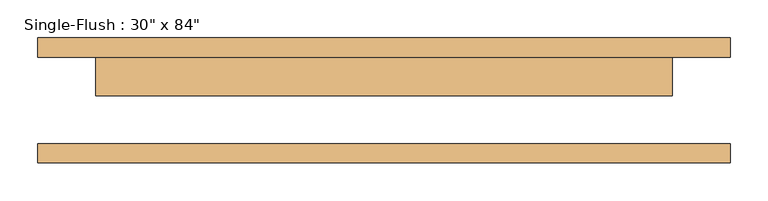
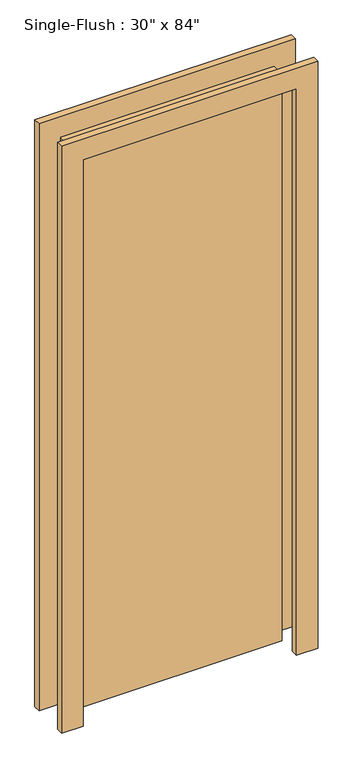
"""IFC4 building model written with IfcOpenShell, lengths in millimetres: door geometry."""

from ifc_helpers import new_model, si_unit, frame, origin, origin_with_axes, place, context, project, spatial, polyline, outline, extrude, source, transform, mapped, element, save


def door_214872d5(model_context):
    return source(origin(), model_context, "Body", "SweptSolid", [
        extrude(outline(polyline([(2209.8, -457.2), (0.0, -457.2), (0.0, -381.0), (2133.6, -381.0), (2133.6, 381.0), (0.0, 381.0), (0.0, 457.2), (2209.8, 457.2), (2209.8, -457.2)])), frame((0.0, 57.15, 0.0), z_axis=(0.0, 1.0, 0.0), x_axis=(0.0, 0.0, 1.0)), (0.0, 0.0, 1.0), 25.4),
        extrude(outline(polyline([(2209.8, 457.2), (2209.8, -457.2), (0.0, -457.2), (0.0, -381.0), (2133.6, -381.0), (2133.6, 381.0), (0.0, 381.0), (0.0, 457.2), (2209.8, 457.2)])), frame((0.0, -82.55, 0.0), z_axis=(0.0, 1.0, 0.0), x_axis=(0.0, 0.0, 1.0)), (0.0, 0.0, 1.0), 25.4),
        extrude(outline(polyline([(381.0, 6.35), (-381.0, 6.35), (-381.0, 57.15), (381.0, 57.15), (381.0, 6.35)])), origin_with_axes(), (0.0, 0.0, 1.0), 2133.6),
    ])


if __name__ == "__main__":
    model = new_model("IFC4")
    model_context = context("Model", 3, world=origin())
    ifc_project = project(units=[si_unit("LENGTHUNIT", "METRE", prefix="MILLI")], contexts=[model_context])
    site = spatial("IfcSite", under=ifc_project)
    building = spatial("IfcBuilding", under=site)
    placement = place(None, origin())
    door_shape = door_214872d5(model_context)
    element("IfcDoor", 1, ObjectType="Single-Flush : 30\" x 84\"", at=placement, inside=building, context=model_context, shape_type="MappedRepresentation", body=[
        mapped(door_shape, transform((0.0, 0.0, 0.0), x_axis=(1.0, 0.0, 0.0), y_axis=(0.0, 1.0, 0.0), z_axis=(0.0, 0.0, 1.0))),
    ])
    save(model, "model.ifc")
